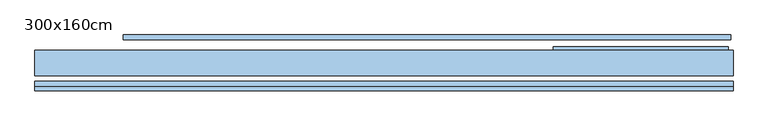
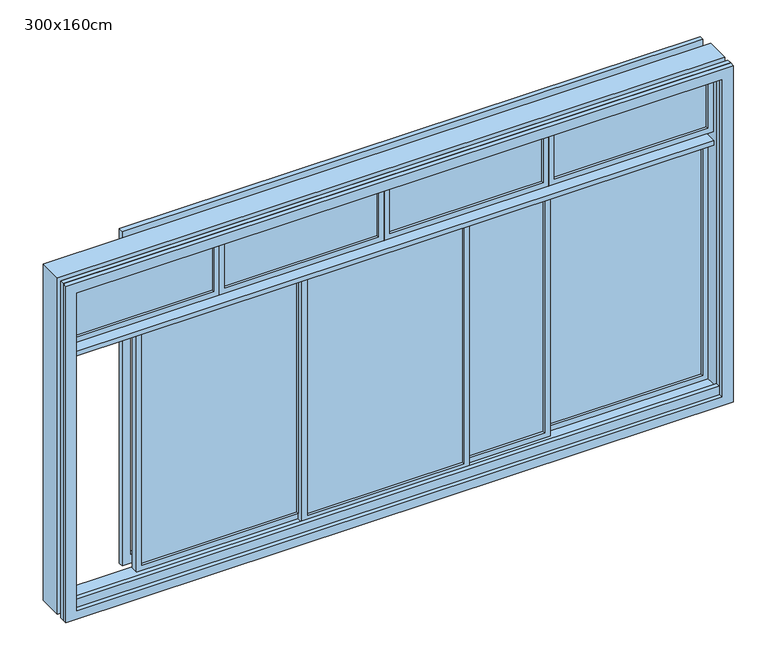
"""IFC4 building model written with IfcOpenShell, lengths in millimetres: window geometry, 300x160cm."""

import ifcopenshell
import ifcopenshell.guid

model = None  # the IFC model being written
_history = None  # IfcOwnerHistory: only IFC2X3 demands one
_inside = {}  # id of a spatial element -> (the spatial element, [elements in it])
_under = {}  # id of a project, library or spatial element -> (it, [spatial elements below it])
_declared = {}  # id of a project -> (the project, [libraries it declares])
_typed = {}  # id of a type object -> (the type object, [elements of that type])
_made_of = {}  # id of a material, layer set ... -> (it, [elements and type objects made of it])


def new_model(schema):
    """Start an empty IFC model of exactly this schema.

    Asked for "IFC4X3", IfcOpenShell would pick the latest addendum, in which some entities
    have other attributes; the version numbers below select the first issue.
    IFC2X3 requires an IfcOwnerHistory on every rooted entity: one is made here for all.
    """
    global model, _history
    if schema == "IFC4X3":
        model = ifcopenshell.file(schema_version=(4, 3, 0, 0))
    else:
        model = ifcopenshell.file(schema=schema)
    _inside.clear()
    _under.clear()
    _declared.clear()
    _typed.clear()
    _made_of.clear()
    _history = None
    if model.schema == "IFC2X3":
        org = make("IfcOrganization", Name="unknown")
        user = make(
            "IfcPersonAndOrganization",
            ThePerson=make("IfcPerson", FamilyName="unknown"),
            TheOrganization=org,
        )
        app = make(
            "IfcApplication",
            ApplicationDeveloper=org,
            Version="unknown",
            ApplicationFullName="unknown",
            ApplicationIdentifier="unknown",
        )
        _history = make(
            "IfcOwnerHistory",
            OwningUser=user,
            OwningApplication=app,
            ChangeAction="ADDED",
            CreationDate=0,
        )
    return model


def make(cls, **values):
    """One entity of the class cls with the attributes given. An attribute that is None is left unset."""
    return model.create_entity(
        cls, **{name: value for name, value in values.items() if value is not None}
    )


def rooted(cls, **values):
    """An entity with a GlobalId (a new one), such as an element, a storey or a relation."""
    return make(cls, GlobalId=ifcopenshell.guid.new(), OwnerHistory=_history, **values)


def si_unit(unit_type, name, prefix=None):
    """IfcSIUnit, for example si_unit("LENGTHUNIT", "METRE", prefix="MILLI")."""
    return make("IfcSIUnit", UnitType=unit_type, Prefix=prefix, Name=name)


def assignment(units):
    """IfcUnitAssignment: the units of a project."""
    return None if units is None else make("IfcUnitAssignment", Units=units)


def point(xyz):
    """IfcCartesianPoint."""
    return None if xyz is None else make("IfcCartesianPoint", Coordinates=xyz)


def direction(xyz):
    """IfcDirection."""
    return None if xyz is None else make("IfcDirection", DirectionRatios=xyz)


def frame(location, z_axis=None, x_axis=None):
    """IfcAxis2Placement3D, a coordinate frame: its origin and axes. An axis left out is left unset."""
    return make(
        "IfcAxis2Placement3D",
        Location=point(location),
        Axis=direction(z_axis),
        RefDirection=direction(x_axis),
    )


def origin():
    """The frame at (0, 0, 0) with its axes left unset."""
    return frame((0.0, 0.0, 0.0))


def place(relative_to, where):
    """IfcLocalPlacement: puts the frame where relative to a parent placement (None: the world)."""
    return make(
        "IfcLocalPlacement", PlacementRelTo=relative_to, RelativePlacement=where
    )


def context(
    kind, dimensions, precision=None, world=None, true_north=None, identifier=None
):
    """IfcGeometricRepresentationContext, for example the 3D "Model" context."""
    return make(
        "IfcGeometricRepresentationContext",
        ContextIdentifier=identifier,
        ContextType=kind,
        CoordinateSpaceDimension=dimensions,
        Precision=precision,
        WorldCoordinateSystem=world,
        TrueNorth=true_north,
    )


def project(units=None, contexts=None):
    """IfcProject with its units and contexts."""
    return rooted(
        "IfcProject",
        Name="project",
        RepresentationContexts=contexts,
        UnitsInContext=assignment(units),
    )


def spatial(cls, under=None, at=None, **own):
    """A site, building, storey or space (cls), placed at a placement, below another one or the project."""
    s = rooted(cls, ObjectPlacement=at, **own)
    if under is not None:
        _under.setdefault(under.id(), (under, []))[1].append(s)
    return s


def polyline(points):
    """IfcPolyline through the points."""
    return make("IfcPolyline", Points=[point(p) for p in points])


def outline(outer, holes=None, kind="AREA"):
    """IfcArbitraryClosedProfileDef: a profile drawn as a closed curve; with holes, ...WithVoids."""
    if holes is None:
        return make("IfcArbitraryClosedProfileDef", ProfileType=kind, OuterCurve=outer)
    return make(
        "IfcArbitraryProfileDefWithVoids",
        ProfileType=kind,
        OuterCurve=outer,
        InnerCurves=holes,
    )


def extrude(swept, where, along, depth):
    """IfcExtrudedAreaSolid: the profile swept, set in the frame where, extruded along a direction by depth."""
    return make(
        "IfcExtrudedAreaSolid",
        SweptArea=swept,
        Position=where,
        ExtrudedDirection=direction(along),
        Depth=depth,
    )


def shape(context_of_items, identifier, shape_type, items):
    """IfcShapeRepresentation: the items that make up one representation, for example the "Body"."""
    return make(
        "IfcShapeRepresentation",
        ContextOfItems=context_of_items,
        RepresentationIdentifier=identifier,
        RepresentationType=shape_type,
        Items=items,
    )


def source(mapping_origin, context_of_items, identifier, shape_type, items):
    """IfcRepresentationMap: a shape defined once, which mapped items show again and again."""
    return make(
        "IfcRepresentationMap",
        MappingOrigin=mapping_origin,
        MappedRepresentation=shape(context_of_items, identifier, shape_type, items),
    )


def transform(
    local_origin,
    x_axis=None,
    y_axis=None,
    z_axis=None,
    scale=None,
    scale2=None,
    scale3=None,
    uniform=True,
):
    """IfcCartesianTransformationOperator3D, or its non-uniform kind. x_axis, y_axis, z_axis: its Axis1, 2, 3."""
    if uniform:
        return make(
            "IfcCartesianTransformationOperator3D",
            Axis1=direction(x_axis),
            Axis2=direction(y_axis),
            LocalOrigin=point(local_origin),
            Scale=scale,
            Axis3=direction(z_axis),
        )
    return make(
        "IfcCartesianTransformationOperator3DnonUniform",
        Axis1=direction(x_axis),
        Axis2=direction(y_axis),
        LocalOrigin=point(local_origin),
        Scale=scale,
        Axis3=direction(z_axis),
        Scale2=scale2,
        Scale3=scale3,
    )


def mapped(mapping_source, mapping_target):
    """IfcMappedItem: shows the shape of a source again, moved by a transform."""
    return make(
        "IfcMappedItem", MappingSource=mapping_source, MappingTarget=mapping_target
    )


def made_of(thing, what):
    """Note that an element or type object is made of a material, layer set ...; save() writes the relation."""
    if what is not None:
        _made_of.setdefault(what.id(), (what, []))[1].append(thing)
    return thing


def element(
    cls,
    number,
    at=None,
    inside=None,
    cuts=None,
    type_object=None,
    material=None,
    context=None,
    identifier="Body",
    shape_type=None,
    held_by="IfcProductDefinitionShape",
    body=None,
    shapes=None,
    **own,
):
    """One element of the class cls, such as IfcWall. Its Tag is "e" and its number.

    at: its placement. inside: the storey or other place that contains it. cuts: it is an
    opening in that element (IfcRelVoidsElement). A single representation is given by context,
    identifier, shape_type and body (its items); several are given by shapes. held_by: the class
    of the entity that holds the representations. save() writes the other relations.
    """
    e = rooted(cls, Tag="e%d" % number, ObjectPlacement=at, **own)
    if body is not None:
        shapes = [shape(context, identifier, shape_type, body)]
    if shapes is not None:
        e.Representation = make(held_by, Representations=shapes)
    if inside is not None:
        _inside.setdefault(inside.id(), (inside, []))[1].append(e)
    if cuts is not None:
        rooted(
            "IfcRelVoidsElement", RelatingBuildingElement=cuts, RelatedOpeningElement=e
        )
    if type_object is not None:
        _typed.setdefault(type_object.id(), (type_object, []))[1].append(e)
    return made_of(e, material)


def aggregate(whole, parts):
    """IfcRelAggregates: a whole, such as a stair, and the parts it consists of."""
    return rooted("IfcRelAggregates", RelatingObject=whole, RelatedObjects=parts)


def save(model, path):
    """Write the relations noted so far, then the file.

    IfcRelAggregates (storeys below a building ...), IfcRelContainedInSpatialStructure (elements
    in a storey), IfcRelDefinesByType, IfcRelAssociatesMaterial and IfcRelDeclares: one each for
    every whole, place, type object, material and project.
    """
    for whole, parts in _under.values():
        aggregate(whole, parts)
    for where, things in _inside.values():
        rooted(
            "IfcRelContainedInSpatialStructure",
            RelatedElements=things,
            RelatingStructure=where,
        )
    for kind, things in _typed.values():
        rooted("IfcRelDefinesByType", RelatedObjects=things, RelatingType=kind)
    for what, things in _made_of.values():
        rooted("IfcRelAssociatesMaterial", RelatedObjects=things, RelatingMaterial=what)
    for by, libraries in _declared.values():
        rooted("IfcRelDeclares", RelatingContext=by, RelatedDefinitions=libraries)
    model.write(path)


def window_300x160cm_b1d47125(model_context):
    return source(origin(), model_context, "Body", "SweptSolid", [
        extrude(outline(polyline([(1978.25, 0.575), (1288.25, 0.575), (1288.25, 7.575), (1978.25, 7.575), (1978.25, 0.575)])), frame((0.0, 0.0, 2345.0), z_axis=(0.0, 0.0, 1.0), x_axis=(1.0, 0.0, 0.0)), (0.0, 0.0, 1.0), 310.0),
        extrude(outline(polyline([(2320.0, 2003.25), (2680.0, 2003.25), (2680.0, 1263.25), (2320.0, 1263.25), (2320.0, 2003.25)]), holes=[polyline([(2655.0, 1288.25), (2655.0, 1978.25), (2345.0, 1978.25), (2345.0, 1288.25), (2655.0, 1288.25)])]), frame((0.0, -10.925, 0.0), z_axis=(0.0, 1.0, 0.0), x_axis=(0.0, 0.0, 1.0)), (0.0, 0.0, 1.0), 30.0),
        extrude(outline(polyline([(1238.25, 0.575), (548.25, 0.575), (548.25, 7.575), (1238.25, 7.575), (1238.25, 0.575)])), frame((0.0, 0.0, 2345.0), z_axis=(0.0, 0.0, 1.0), x_axis=(1.0, 0.0, 0.0)), (0.0, 0.0, 1.0), 310.0),
        extrude(outline(polyline([(2320.0, 1263.25), (2680.0, 1263.25), (2680.0, 523.25), (2320.0, 523.25), (2320.0, 1263.25)]), holes=[polyline([(2655.0, 548.25), (2655.0, 1238.25), (2345.0, 1238.25), (2345.0, 548.25), (2655.0, 548.25)])]), frame((0.0, -10.925, 0.0), z_axis=(0.0, 1.0, 0.0), x_axis=(0.0, 0.0, 1.0)), (0.0, 0.0, 1.0), 30.0),
        extrude(outline(polyline([(498.25, 0.575), (-191.75, 0.575), (-191.75, 7.575), (498.25, 7.575), (498.25, 0.575)])), frame((0.0, 0.0, 2345.0), z_axis=(0.0, 0.0, 1.0), x_axis=(1.0, 0.0, 0.0)), (0.0, 0.0, 1.0), 310.0),
        extrude(outline(polyline([(2320.0, 523.25), (2680.0, 523.25), (2680.0, -216.75), (2320.0, -216.75), (2320.0, 523.25)]), holes=[polyline([(2655.0, -191.75), (2655.0, 498.25), (2345.0, 498.25), (2345.0, -191.75), (2655.0, -191.75)])]), frame((0.0, -10.925, 0.0), z_axis=(0.0, 1.0, 0.0), x_axis=(0.0, 0.0, 1.0)), (0.0, 0.0, 1.0), 30.0),
        extrude(outline(polyline([(-241.75, 0.575), (-931.75, 0.575), (-931.75, 7.575), (-241.75, 7.575), (-241.75, 0.575)])), frame((0.0, 0.0, 2345.0), z_axis=(0.0, 0.0, 1.0), x_axis=(1.0, 0.0, 0.0)), (0.0, 0.0, 1.0), 310.0),
        extrude(outline(polyline([(2320.0, -216.75), (2680.0, -216.75), (2680.0, -956.75), (2320.0, -956.75), (2320.0, -216.75)]), holes=[polyline([(2655.0, -931.75), (2655.0, -241.75), (2345.0, -241.75), (2345.0, -931.75), (2655.0, -931.75)])]), frame((0.0, -10.925, 0.0), z_axis=(0.0, 1.0, 0.0), x_axis=(0.0, 0.0, 1.0)), (0.0, 0.0, 1.0), 30.0),
        extrude(outline(polyline([(-556.75, 15.575), (-556.75, 22.575), (145.75, 22.575), (145.75, 15.575), (-556.75, 15.575)])), frame((0.0, 0.0, 1145.0), z_axis=(0.0, 0.0, 1.0), x_axis=(1.0, 0.0, 0.0)), (0.0, 0.0, 1.0), 1130.0),
        extrude(outline(polyline([(1120.0, -581.75), (1120.0, 170.75), (2300.0, 170.75), (2300.0, -581.75), (1120.0, -581.75)]), holes=[polyline([(2275.0, 145.75), (1145.0, 145.75), (1145.0, -556.75), (2275.0, -556.75), (2275.0, 145.75)])]), frame((0.0, 4.075, 0.0), z_axis=(0.0, 1.0, 0.0), x_axis=(0.0, 0.0, 1.0)), (0.0, 0.0, 1.0), 30.0),
        extrude(outline(polyline([(170.75, -14.425), (170.75, -7.425), (873.25, -7.425), (873.25, -14.425), (170.75, -14.425)])), frame((0.0, 0.0, 1145.0), z_axis=(0.0, 0.0, 1.0), x_axis=(1.0, 0.0, 0.0)), (0.0, 0.0, 1.0), 1130.0),
        extrude(outline(polyline([(1120.0, 145.75), (1120.0, 898.25), (2300.0, 898.25), (2300.0, 145.75), (1120.0, 145.75)]), holes=[polyline([(2275.0, 873.25), (1145.0, 873.25), (1145.0, 170.75), (2275.0, 170.75), (2275.0, 873.25)])]), frame((0.0, -25.925, 0.0), z_axis=(0.0, 1.0, 0.0), x_axis=(0.0, 0.0, 1.0)), (0.0, 0.0, 1.0), 30.0),
        extrude(outline(polyline([(1978.25, 40.575), (1275.75, 40.575), (1275.75, 47.575), (1978.25, 47.575), (1978.25, 40.575)])), frame((0.0, 0.0, 1145.0), z_axis=(0.0, 0.0, 1.0), x_axis=(1.0, 0.0, 0.0)), (0.0, 0.0, 1.0), 1130.0),
        extrude(outline(polyline([(1120.0, 2003.25), (2300.0, 2003.25), (2300.0, 1250.75), (1120.0, 1250.75), (1120.0, 2003.25)]), holes=[polyline([(2275.0, 1275.75), (2275.0, 1978.25), (1145.0, 1978.25), (1145.0, 1275.75), (2275.0, 1275.75)])]), frame((0.0, 29.075, 0.0), z_axis=(0.0, 1.0, 0.0), x_axis=(0.0, 0.0, 1.0)), (0.0, 0.0, 1.0), 30.0),
        extrude(outline(polyline([(1250.75, 10.575), (548.25, 10.575), (548.25, 17.575), (1250.75, 17.575), (1250.75, 10.575)])), frame((0.0, 0.0, 1145.0), z_axis=(0.0, 0.0, 1.0), x_axis=(1.0, 0.0, 0.0)), (0.0, 0.0, 1.0), 1130.0),
        extrude(outline(polyline([(1120.0, 1275.75), (2300.0, 1275.75), (2300.0, 523.25), (1120.0, 523.25), (1120.0, 1275.75)]), holes=[polyline([(2275.0, 548.25), (2275.0, 1250.75), (1145.0, 1250.75), (1145.0, 548.25), (2275.0, 548.25)])]), frame((0.0, -0.925, 0.0), z_axis=(0.0, 1.0, 0.0), x_axis=(0.0, 0.0, 1.0)), (0.0, 0.0, 1.0), 30.0),
        extrude(outline(polyline([(1100.0, 2023.25), (2700.0, 2023.25), (2700.0, -976.75), (1100.0, -976.75), (1100.0, 2023.25)]), holes=[polyline([(2650.0, -926.75), (2650.0, 1973.25), (1180.0, 1973.25), (1180.0, -926.75), (2650.0, -926.75)])]), frame((0.0, -110.925, 0.0), z_axis=(0.0, 1.0, 0.0), x_axis=(0.0, 0.0, 1.0)), (0.0, 0.0, 1.0), 20.0),
        extrude(outline(polyline([(2700.0, -976.75), (1100.0, -976.75), (1100.0, 2023.25), (2700.0, 2023.25), (2700.0, -976.75)]), holes=[polyline([(2650.0, 1973.25), (1140.0, 1973.25), (1140.0, -926.75), (2650.0, -926.75), (2650.0, 1973.25)])]), frame((0.0, -130.925, 0.0), z_axis=(0.0, 1.0, 0.0), x_axis=(0.0, 0.0, 1.0)), (0.0, 0.0, 1.0), 20.0),
        extrude(outline(polyline([(1973.25, -65.925), (-931.75, -65.925), (-931.75, 44.075), (1973.25, 44.075), (1973.25, -65.925)])), frame((0.0, 0.0, 2300.0), z_axis=(0.0, 0.0, 1.0), x_axis=(1.0, 0.0, 0.0)), (0.0, 0.0, 1.0), 20.0),
        extrude(outline(polyline([(2695.0, -596.75), (1105.0, -596.75), (1105.0, 2013.25), (2695.0, 2013.25), (2695.0, -596.75)]), holes=[polyline([(2655.0, 1973.25), (1145.0, 1973.25), (1145.0, -556.75), (2655.0, -556.75), (2655.0, 1973.25)])]), frame((0.0, 89.075, 0.0), z_axis=(0.0, 1.0, 0.0), x_axis=(0.0, 0.0, 1.0)), (0.0, 0.0, 1.0), 20.0),
        extrude(outline(polyline([(2700.0, 2023.25), (2700.0, -976.75), (1100.0, -976.75), (1100.0, 2023.25), (2700.0, 2023.25)]), holes=[polyline([(2680.0, 2003.25), (1120.0, 2003.25), (1120.0, -956.75), (2680.0, -956.75), (2680.0, 2003.25)])]), frame((0.0, -65.925, 0.0), z_axis=(0.0, 1.0, 0.0), x_axis=(0.0, 0.0, 1.0)), (0.0, 0.0, 1.0), 110.0),
    ])


if __name__ == "__main__":
    model = new_model("IFC4")
    model_context = context("Model", 3, world=origin())
    ifc_project = project(units=[si_unit("LENGTHUNIT", "METRE", prefix="MILLI")], contexts=[model_context])
    site = spatial("IfcSite", under=ifc_project)
    building = spatial("IfcBuilding", under=site)
    placement = place(None, origin())
    window_300x160cm_shape = window_300x160cm_b1d47125(model_context)
    element("IfcWindow", 1, ObjectType="300x160cm", at=placement, inside=building, context=model_context, shape_type="MappedRepresentation", body=[
        mapped(window_300x160cm_shape, transform((0.0, 0.0, 0.0), x_axis=(1.0, 0.0, 0.0), y_axis=(0.0, 1.0, 0.0), z_axis=(0.0, 0.0, 1.0))),
    ])
    save(model, "model.ifc")
